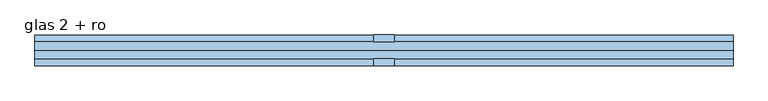
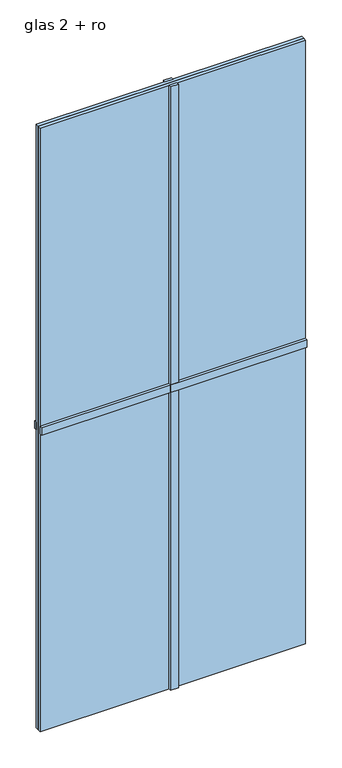
"""IFC4 building model written with IfcOpenShell, lengths in millimetres: window geometry, glas 2 + ro."""

from ifc_helpers import new_model, si_unit, frame, origin, origin_with_axes, place, context, project, spatial, polyline, outline, extrude, source, transform, mapped, element, save


def glas_2_ro_16832269(model_context):
    return source(origin(), model_context, "Body", "SweptSolid", [
        extrude(outline(polyline([(-15.0, 12.0), (-15.0, 22.0), (15.0, 22.0), (15.0, 12.0), (-15.0, 12.0)])), origin_with_axes(), (0.0, 0.0, 1.0), 2399.5),
        extrude(outline(polyline([(499.75, 22.0), (499.75, 12.0), (-499.75, 12.0), (-499.75, 22.0), (499.75, 22.0)])), frame((0.0, 0.0, 1184.75), z_axis=(0.0, 0.0, 1.0), x_axis=(1.0, 0.0, 0.0)), (0.0, 0.0, 1.0), 30.0),
        extrude(outline(polyline([(-499.75, -22.0), (-499.75, -12.0), (499.75, -12.0), (499.75, -22.0), (-499.75, -22.0)])), frame((0.0, 0.0, 1184.75), z_axis=(0.0, 0.0, 1.0), x_axis=(1.0, 0.0, 0.0)), (0.0, 0.0, 1.0), 30.0),
        extrude(outline(polyline([(-15.0, -12.0), (15.0, -12.0), (15.0, -22.0), (-15.0, -22.0), (-15.0, -12.0)])), origin_with_axes(), (0.0, 0.0, 1.0), 2399.5),
        extrude(outline(polyline([(-499.75, 12.0), (499.75, 12.0), (499.75, 0.0), (-499.75, 0.0), (-499.75, 12.0)])), origin_with_axes(), (0.0, 0.0, 1.0), 2399.5),
        extrude(outline(polyline([(-499.75, 0.0), (499.75, 0.0), (499.75, -12.0), (-499.75, -12.0), (-499.75, 0.0)])), origin_with_axes(), (0.0, 0.0, 1.0), 2399.5),
    ])


if __name__ == "__main__":
    model = new_model("IFC4")
    model_context = context("Model", 3, world=origin())
    ifc_project = project(units=[si_unit("LENGTHUNIT", "METRE", prefix="MILLI")], contexts=[model_context])
    site = spatial("IfcSite", under=ifc_project)
    building = spatial("IfcBuilding", under=site)
    placement = place(None, origin())
    glas_2_ro_shape = glas_2_ro_16832269(model_context)
    element("IfcWindow", 1, ObjectType="glas 2 + ro", at=placement, inside=building, context=model_context, shape_type="MappedRepresentation", body=[
        mapped(glas_2_ro_shape, transform((0.0, 0.0, 0.0), x_axis=(1.0, 0.0, 0.0), y_axis=(0.0, 1.0, 0.0), z_axis=(0.0, 0.0, 1.0))),
    ])
    save(model, "model.ifc")
